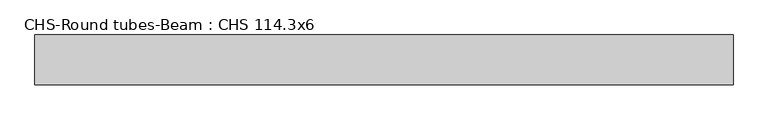
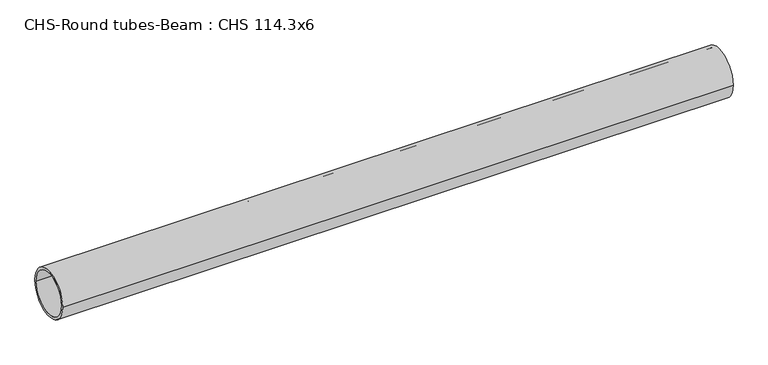
"""IFC4 building model written with IfcOpenShell, lengths in millimetres: beam geometry, CHS-Round tubes-Beam : CHS 114.3x6."""

from ifc_helpers import new_model, si_unit, point, frame, origin, origin_2d, place, context, project, spatial, circle_curve, trimmed, segment, composite_curve, outline, extrude, source, transform, mapped, element, save


def chs_round_tubes_beam_chs_114_3x6_fba6eef6(model_context):
    return source(origin(), model_context, "Body", "SweptSolid", [
        extrude(outline(composite_curve([segment(trimmed(circle_curve(origin_2d(), 57.15), [point((57.15, 0.0))], [point((-57.15, 0.0))], False, "CARTESIAN"), True, "CONTINUOUS"), segment(trimmed(circle_curve(origin_2d(), 57.15), [point((-57.15, 0.0))], [point((57.15, 0.0))], False, "CARTESIAN"), True, "CONTINUOUS")], self_intersect=False), holes=[composite_curve([segment(trimmed(circle_curve(origin_2d(), 51.15), [point((51.15, 0.0))], [point((-51.15, 0.0))], True, "CARTESIAN"), True, "CONTINUOUS"), segment(trimmed(circle_curve(origin_2d(), 51.15), [point((-51.15, 0.0))], [point((51.15, 0.0))], True, "CARTESIAN"), True, "CONTINUOUS")], self_intersect=False)]), frame((-790.1160858, 0.0, 0.0), z_axis=(1.0, 0.0, 0.0), x_axis=(0.0, 1.0, 0.0)), (0.0, 0.0, 1.0), 1594.5357134),
    ])


if __name__ == "__main__":
    model = new_model("IFC4")
    model_context = context("Model", 3, world=origin())
    ifc_project = project(units=[si_unit("LENGTHUNIT", "METRE", prefix="MILLI")], contexts=[model_context])
    site = spatial("IfcSite", under=ifc_project)
    building = spatial("IfcBuilding", under=site)
    placement = place(None, origin())
    chs_round_tubes_beam_chs_114_3x6_shape = chs_round_tubes_beam_chs_114_3x6_fba6eef6(model_context)
    element("IfcBeam", 1, ObjectType="CHS-Round tubes-Beam : CHS 114.3x6", at=placement, inside=building, context=model_context, shape_type="MappedRepresentation", body=[
        mapped(chs_round_tubes_beam_chs_114_3x6_shape, transform((0.0, 0.0, 0.0), x_axis=(1.0, 0.0, 0.0), y_axis=(0.0, 1.0, 0.0), z_axis=(0.0, 0.0, 1.0))),
    ])
    save(model, "model.ifc")
